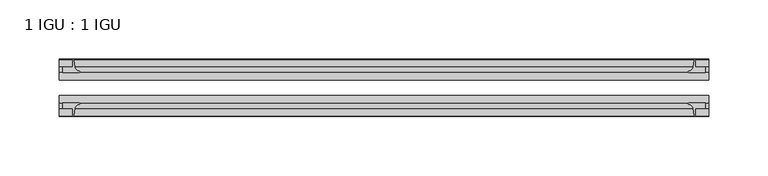
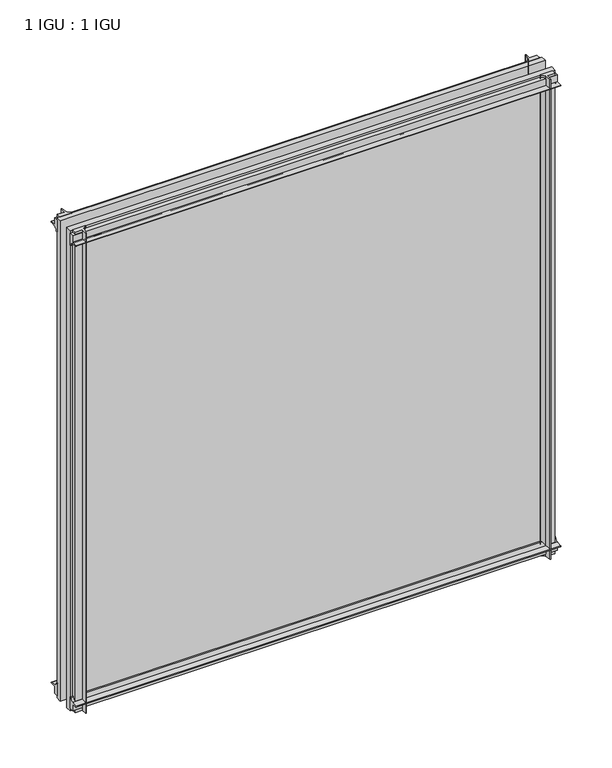
"""IFC4 building model written with IfcOpenShell, lengths in millimetres: plate geometry, 1 IGU : 1 IGU."""

from ifc_helpers import new_model, si_unit, point, frame, frame_2d, origin, place, context, project, spatial, polyline, circle_curve, trimmed, segment, composite_curve, outline, extrude, source, transform, mapped, element, save


def plate_1_igu_1_igu_f3f881c1(model_context):
    return source(origin(), model_context, "Body", "SweptSolid", [
        extrude(outline(composite_curve([segment(polyline([(-42.3267187, -8.2068385), (-47.0892187, -8.2068385), (-47.0892187, 0.0), (-53.563779, 0.0)]), True, "CONTINUOUS"), segment(trimmed(circle_curve(frame_2d((-53.0328134, 0.3482823)), 0.635), [point((-53.563779, 0.0))], [point((-53.0575397, 0.9828007))], False, "CARTESIAN"), True, "CONTINUOUS"), segment(trimmed(circle_curve(frame_2d((-54.2310045, 31.0958559)), 30.1359106), [point((-53.0575397, 0.9828007))], [point((-47.0834032, 1.8198434))], True, "CARTESIAN"), True, "CONTINUOUS"), segment(trimmed(circle_curve(frame_2d((-48.2159797, 6.4587878)), 4.7752), [point((-47.0834032, 1.8198434))], [point((-43.578416, 5.3205707))], True, "CARTESIAN"), True, "CONTINUOUS"), segment(trimmed(circle_curve(frame_2d((-42.9617187, 5.169212)), 0.635), [point((-43.578416, 5.3205707))], [point((-42.3267187, 5.169212))], False, "CARTESIAN"), True, "CONTINUOUS"), segment(polyline([(-42.3267187, 5.169212), (-42.3267187, -8.2068385)]), True, "CONTINUOUS")], self_intersect=False)), frame((-273.05, 0.0, 0.0), z_axis=(1.0, 0.0, 0.0), x_axis=(0.0, 1.0, 0.0)), (0.0, 0.0, 1.0), 546.1),
        extrude(outline(composite_curve([segment(polyline([(-16.9267187, -8.2068385), (-16.9267187, 5.169212)]), True, "CONTINUOUS"), segment(trimmed(circle_curve(frame_2d((-16.2917187, 5.169212)), 0.635), [point((-16.9267187, 5.169212))], [point((-15.6750215, 5.3205707))], False, "CARTESIAN"), True, "CONTINUOUS"), segment(trimmed(circle_curve(frame_2d((-11.0374578, 6.4587878)), 4.7752), [point((-15.6750215, 5.3205707))], [point((-12.1700343, 1.8198434))], True, "CARTESIAN"), True, "CONTINUOUS"), segment(trimmed(circle_curve(frame_2d((-5.022433, 31.0958559)), 30.1359106), [point((-12.1700343, 1.8198434))], [point((-6.1958978, 0.9828007))], True, "CARTESIAN"), True, "CONTINUOUS"), segment(trimmed(circle_curve(frame_2d((-6.2206241, 0.3482823)), 0.635), [point((-6.1958978, 0.9828007))], [point((-5.6896585, 0.0))], False, "CARTESIAN"), True, "CONTINUOUS"), segment(polyline([(-5.6896585, 0.0), (-12.1642187, 0.0), (-12.1642187, -8.2068385), (-16.9267187, -8.2068385)]), True, "CONTINUOUS")], self_intersect=False)), frame((-273.05, 0.0, 0.0), z_axis=(1.0, 0.0, 0.0), x_axis=(0.0, 1.0, 0.0)), (0.0, 0.0, 1.0), 546.1),
        extrude(outline(composite_curve([segment(polyline([(-47.0892188, 549.2748985), (-47.0892188, 557.481737), (-42.3267188, 557.481737), (-42.3267188, 544.1056865)]), True, "CONTINUOUS"), segment(trimmed(circle_curve(frame_2d((-42.9617187, 544.1056865)), 0.635), [point((-42.3267188, 544.1056865))], [point((-43.578416, 543.9543278))], False, "CARTESIAN"), True, "CONTINUOUS"), segment(trimmed(circle_curve(frame_2d((-48.2159797, 542.8161107)), 4.7752), [point((-43.578416, 543.9543278))], [point((-47.0834032, 547.4550551))], True, "CARTESIAN"), True, "CONTINUOUS"), segment(trimmed(circle_curve(frame_2d((-54.2310045, 518.1790426)), 30.1359106), [point((-47.0834032, 547.4550551))], [point((-53.0575397, 548.2920978))], True, "CARTESIAN"), True, "CONTINUOUS"), segment(trimmed(circle_curve(frame_2d((-53.0328134, 548.9266162)), 0.635), [point((-53.0575397, 548.2920978))], [point((-53.563779, 549.2748985))], False, "CARTESIAN"), True, "CONTINUOUS"), segment(polyline([(-53.563779, 549.2748985), (-47.0892188, 549.2748985)]), True, "CONTINUOUS")], self_intersect=False)), frame((-273.05, 0.0, 0.0), z_axis=(1.0, 0.0, 0.0), x_axis=(0.0, 1.0, 0.0)), (0.0, 0.0, 1.0), 546.1),
        extrude(outline(composite_curve([segment(polyline([(-12.1642187, 549.2748985), (-5.6896585, 549.2748985)]), True, "CONTINUOUS"), segment(trimmed(circle_curve(frame_2d((-6.2206241, 548.9266162)), 0.635), [point((-5.6896585, 549.2748985))], [point((-6.1958978, 548.2920978))], False, "CARTESIAN"), True, "CONTINUOUS"), segment(trimmed(circle_curve(frame_2d((-5.022433, 518.1790426)), 30.1359106), [point((-6.1958978, 548.2920978))], [point((-12.1700343, 547.4550551))], True, "CARTESIAN"), True, "CONTINUOUS"), segment(trimmed(circle_curve(frame_2d((-11.0374578, 542.8161107)), 4.7752), [point((-12.1700343, 547.4550551))], [point((-15.6750215, 543.9543278))], True, "CARTESIAN"), True, "CONTINUOUS"), segment(trimmed(circle_curve(frame_2d((-16.2917188, 544.1056865)), 0.635), [point((-15.6750215, 543.9543278))], [point((-16.9267188, 544.1056865))], False, "CARTESIAN"), True, "CONTINUOUS"), segment(polyline([(-16.9267188, 544.1056865), (-16.9267187, 557.481737), (-12.1642187, 557.481737), (-12.1642187, 549.2748985)]), True, "CONTINUOUS")], self_intersect=False)), frame((-273.05, 0.0, 0.0), z_axis=(1.0, 0.0, 0.0), x_axis=(0.0, 1.0, 0.0)), (0.0, 0.0, 1.0), 546.1),
        extrude(outline(composite_curve([segment(polyline([(261.9375, -5.6896585), (261.9375, -12.1642188), (270.1443385, -12.1642188), (270.1443385, -16.9267187), (256.768288, -16.9267187)]), True, "CONTINUOUS"), segment(trimmed(circle_curve(frame_2d((256.768288, -16.2917188)), 0.635), [point((256.768288, -16.9267187))], [point((256.6169293, -15.6750215))], False, "CARTESIAN"), True, "CONTINUOUS"), segment(trimmed(circle_curve(frame_2d((255.4787122, -11.0374578)), 4.7752), [point((256.6169293, -15.6750215))], [point((260.1176566, -12.1700343))], True, "CARTESIAN"), True, "CONTINUOUS"), segment(trimmed(circle_curve(frame_2d((230.8416441, -5.022433)), 30.1359106), [point((260.1176566, -12.1700343))], [point((260.9546993, -6.1958978))], True, "CARTESIAN"), True, "CONTINUOUS"), segment(trimmed(circle_curve(frame_2d((261.5892177, -6.2206241)), 0.635), [point((260.9546993, -6.1958978))], [point((261.9375, -5.6896585))], False, "CARTESIAN"), True, "CONTINUOUS")], self_intersect=False)), frame((0.0, 0.0, -11.1125), z_axis=(0.0, 0.0, 1.0), x_axis=(1.0, 0.0, 0.0)), (0.0, 0.0, 1.0), 571.4998985),
        extrude(outline(composite_curve([segment(trimmed(circle_curve(frame_2d((261.5892177, -53.0328134)), 0.635), [point((261.9375, -53.563779))], [point((260.9546993, -53.0575397))], False, "CARTESIAN"), True, "CONTINUOUS"), segment(trimmed(circle_curve(frame_2d((230.8416441, -54.2310045)), 30.1359106), [point((260.9546993, -53.0575397))], [point((260.1176566, -47.0834032))], True, "CARTESIAN"), True, "CONTINUOUS"), segment(trimmed(circle_curve(frame_2d((255.4787122, -48.2159797)), 4.7752), [point((260.1176566, -47.0834032))], [point((256.6169293, -43.578416))], True, "CARTESIAN"), True, "CONTINUOUS"), segment(trimmed(circle_curve(frame_2d((256.768288, -42.9617187)), 0.635), [point((256.6169293, -43.578416))], [point((256.768288, -42.3267187))], False, "CARTESIAN"), True, "CONTINUOUS"), segment(polyline([(256.768288, -42.3267187), (270.1443385, -42.3267187), (270.1443385, -47.0892188), (261.9375, -47.0892188), (261.9375, -53.563779)]), True, "CONTINUOUS")], self_intersect=False)), frame((0.0, 0.0, -11.1125), z_axis=(0.0, 0.0, 1.0), x_axis=(1.0, 0.0, 0.0)), (0.0, 0.0, 1.0), 571.4998985),
        extrude(outline(composite_curve([segment(trimmed(circle_curve(frame_2d((-261.5892177, -6.2206241)), 0.635), [point((-261.9375, -5.6896585))], [point((-260.9546993, -6.1958978))], False, "CARTESIAN"), True, "CONTINUOUS"), segment(trimmed(circle_curve(frame_2d((-230.8416441, -5.022433)), 30.1359106), [point((-260.9546993, -6.1958978))], [point((-260.1176566, -12.1700343))], True, "CARTESIAN"), True, "CONTINUOUS"), segment(trimmed(circle_curve(frame_2d((-255.4787122, -11.0374578)), 4.7752), [point((-260.1176566, -12.1700343))], [point((-256.6169293, -15.6750215))], True, "CARTESIAN"), True, "CONTINUOUS"), segment(trimmed(circle_curve(frame_2d((-256.768288, -16.2917187)), 0.635), [point((-256.6169293, -15.6750215))], [point((-256.768288, -16.9267187))], False, "CARTESIAN"), True, "CONTINUOUS"), segment(polyline([(-256.768288, -16.9267187), (-270.1443385, -16.9267187), (-270.1443385, -12.1642187), (-261.9375, -12.1642187), (-261.9375, -5.6896585)]), True, "CONTINUOUS")], self_intersect=False)), frame((0.0, 0.0, -11.1125), z_axis=(0.0, 0.0, 1.0), x_axis=(1.0, 0.0, 0.0)), (0.0, 0.0, 1.0), 571.4998985),
        extrude(outline(composite_curve([segment(polyline([(-261.9375, -53.563779), (-261.9375, -47.0892187), (-270.1443385, -47.0892187), (-270.1443385, -42.3267188), (-256.768288, -42.3267188)]), True, "CONTINUOUS"), segment(trimmed(circle_curve(frame_2d((-256.768288, -42.9617187)), 0.635), [point((-256.768288, -42.3267188))], [point((-256.6169293, -43.578416))], False, "CARTESIAN"), True, "CONTINUOUS"), segment(trimmed(circle_curve(frame_2d((-255.4787122, -48.2159797)), 4.7752), [point((-256.6169293, -43.578416))], [point((-260.1176566, -47.0834032))], True, "CARTESIAN"), True, "CONTINUOUS"), segment(trimmed(circle_curve(frame_2d((-230.8416441, -54.2310045)), 30.1359106), [point((-260.1176566, -47.0834032))], [point((-260.9546993, -53.0575397))], True, "CARTESIAN"), True, "CONTINUOUS"), segment(trimmed(circle_curve(frame_2d((-261.5892177, -53.0328134)), 0.635), [point((-260.9546993, -53.0575397))], [point((-261.9375, -53.563779))], False, "CARTESIAN"), True, "CONTINUOUS")], self_intersect=False)), frame((0.0, 0.0, -11.1125), z_axis=(0.0, 0.0, 1.0), x_axis=(1.0, 0.0, 0.0)), (0.0, 0.0, 1.0), 571.4998985),
        extrude(outline(polyline([(273.05, -16.9267187), (273.05, -23.2259187), (-273.05, -23.2259187), (-273.05, -16.9267187), (273.05, -16.9267187)])), frame((0.0, 0.0, -11.1125), z_axis=(0.0, 0.0, 1.0), x_axis=(1.0, 0.0, 0.0)), (0.0, 0.0, 1.0), 571.4998985),
        extrude(outline(polyline([(273.05, -36.0275187), (273.05, -42.3267187), (-273.05, -42.3267187), (-273.05, -36.0275187), (273.05, -36.0275187)])), frame((0.0, 0.0, -11.1125), z_axis=(0.0, 0.0, 1.0), x_axis=(1.0, 0.0, 0.0)), (0.0, 0.0, 1.0), 571.4998985),
    ])


if __name__ == "__main__":
    model = new_model("IFC4")
    model_context = context("Model", 3, world=origin())
    ifc_project = project(units=[si_unit("LENGTHUNIT", "METRE", prefix="MILLI")], contexts=[model_context])
    site = spatial("IfcSite", under=ifc_project)
    building = spatial("IfcBuilding", under=site)
    placement = place(None, origin())
    plate_1_igu_1_igu_shape = plate_1_igu_1_igu_f3f881c1(model_context)
    element("IfcPlate", 1, ObjectType="1 IGU : 1 IGU", at=placement, inside=building, context=model_context, shape_type="MappedRepresentation", body=[
        mapped(plate_1_igu_1_igu_shape, transform((0.0, 0.0, 0.0), x_axis=(1.0, 0.0, 0.0), y_axis=(0.0, 1.0, 0.0), z_axis=(0.0, 0.0, 1.0))),
    ])
    save(model, "model.ifc")
